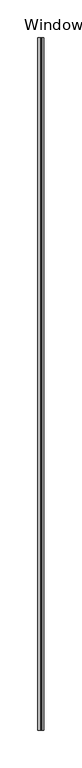
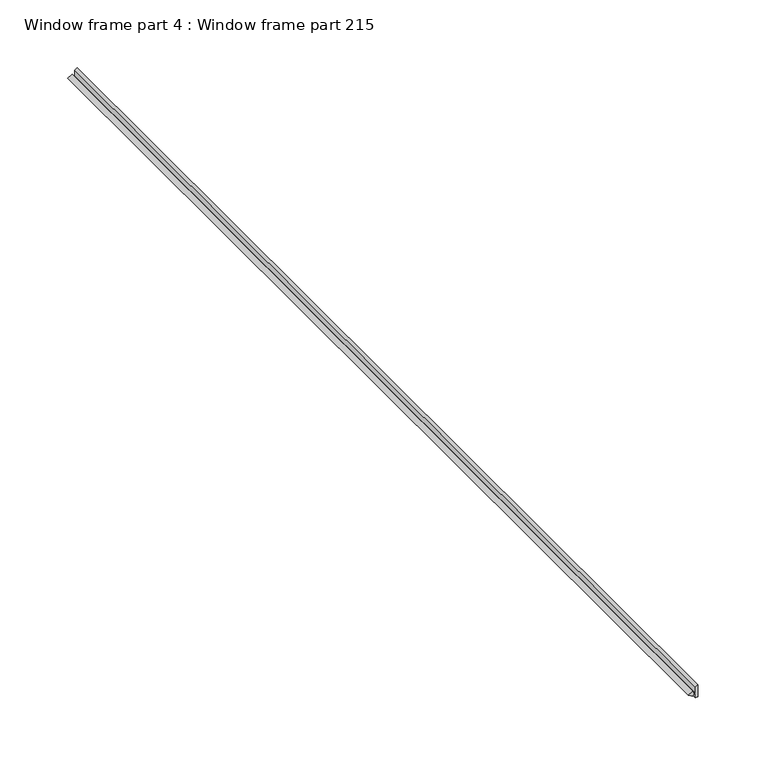
"""IFC4 building model written with IfcOpenShell, lengths in millimetres: proxy geometry, Window frame part 4 : Window frame part 215."""

from ifc_helpers import new_model, si_unit, frame, origin, place, context, project, spatial, polyline, outline, extrude, source, transform, mapped, element, save


def window_frame_part_4_window_frame_part_215_ab447a5e(model_context):
    return source(origin(), model_context, "Body", "SweptSolid", [
        extrude(outline(polyline([(2028.8586072, 37053.786354), (2027.4874581, 37051.411454), (2022.7367627, 37051.411454), (2022.7367627, 37050.253416), (2024.4858513, 37049.5145182), (2022.3398877, 37045.7976002), (2020.193924, 37049.5145183), (2021.9430127, 37050.253416), (2021.9430127, 37051.411454), (2017.9624581, 37051.411454), (2017.9624581, 37053.786354), (2020.7117317, 37053.786354), (2028.8586072, 37053.786354)])), frame((0.0, -25196.3529946, 0.0), z_axis=(0.0, 1.0, 0.0), x_axis=(0.0, 0.0, 1.0)), (0.0, 0.0, 1.0), 914.4),
    ])


if __name__ == "__main__":
    model = new_model("IFC4")
    model_context = context("Model", 3, world=origin())
    ifc_project = project(units=[si_unit("LENGTHUNIT", "METRE", prefix="MILLI")], contexts=[model_context])
    site = spatial("IfcSite", under=ifc_project)
    building = spatial("IfcBuilding", under=site)
    placement = place(None, origin())
    window_frame_part_4_window_frame_part_215_shape = window_frame_part_4_window_frame_part_215_ab447a5e(model_context)
    element("IfcBuildingElementProxy", 1, Name="Window frame part 4 : Window frame part 215", ObjectType="Window frame part 4 : Window frame part 215", at=placement, inside=building, context=model_context, shape_type="MappedRepresentation", body=[
        mapped(window_frame_part_4_window_frame_part_215_shape, transform((0.0, 0.0, 0.0), x_axis=(1.0, 0.0, 0.0), y_axis=(0.0, 1.0, 0.0), z_axis=(0.0, 0.0, 1.0))),
    ])
    save(model, "model.ifc")
